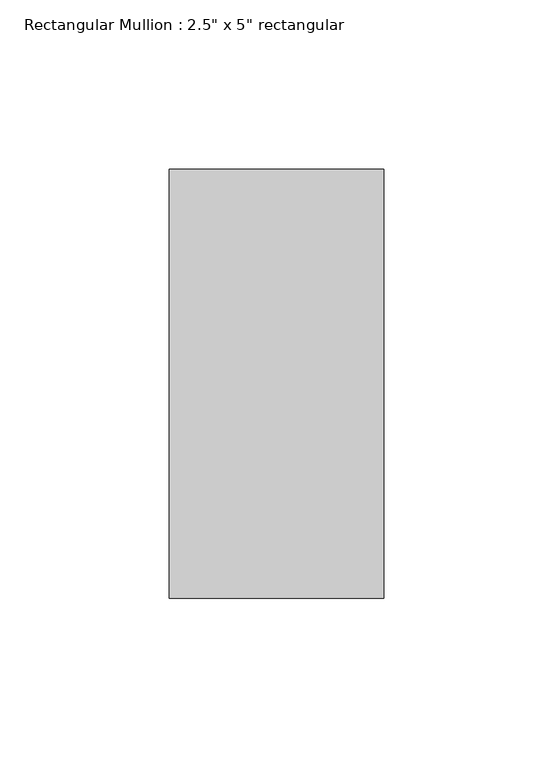
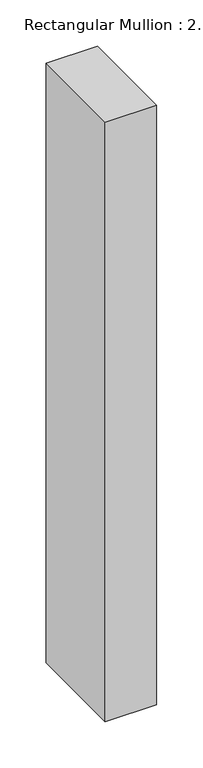
"""IFC4 building model written with IfcOpenShell, lengths in millimetres: member geometry."""

from ifc_helpers import new_model, si_unit, frame, origin, place, context, project, spatial, polyline, outline, extrude, source, transform, mapped, element, save


def member_429f6687(model_context):
    return source(origin(), model_context, "Body", "SweptSolid", [
        extrude(outline(polyline([(0.0, 63.5), (0.0, -63.5), (-63.5, -63.5), (-63.5, 63.5), (0.0, 63.5)])), frame((0.0, 0.0, -787.4), z_axis=(0.0, 0.0, 1.0), x_axis=(1.0, 0.0, 0.0)), (0.0, 0.0, 1.0), 787.4),
    ])


if __name__ == "__main__":
    model = new_model("IFC4")
    model_context = context("Model", 3, world=origin())
    ifc_project = project(units=[si_unit("LENGTHUNIT", "METRE", prefix="MILLI")], contexts=[model_context])
    site = spatial("IfcSite", under=ifc_project)
    building = spatial("IfcBuilding", under=site)
    placement = place(None, origin())
    member_shape = member_429f6687(model_context)
    element("IfcMember", 1, ObjectType="Rectangular Mullion : 2.5\" x 5\" rectangular", at=placement, inside=building, context=model_context, shape_type="MappedRepresentation", body=[
        mapped(member_shape, transform((0.0, 0.0, 0.0), x_axis=(1.0, 0.0, 0.0), y_axis=(0.0, 1.0, 0.0), z_axis=(0.0, 0.0, 1.0))),
    ])
    save(model, "model.ifc")
